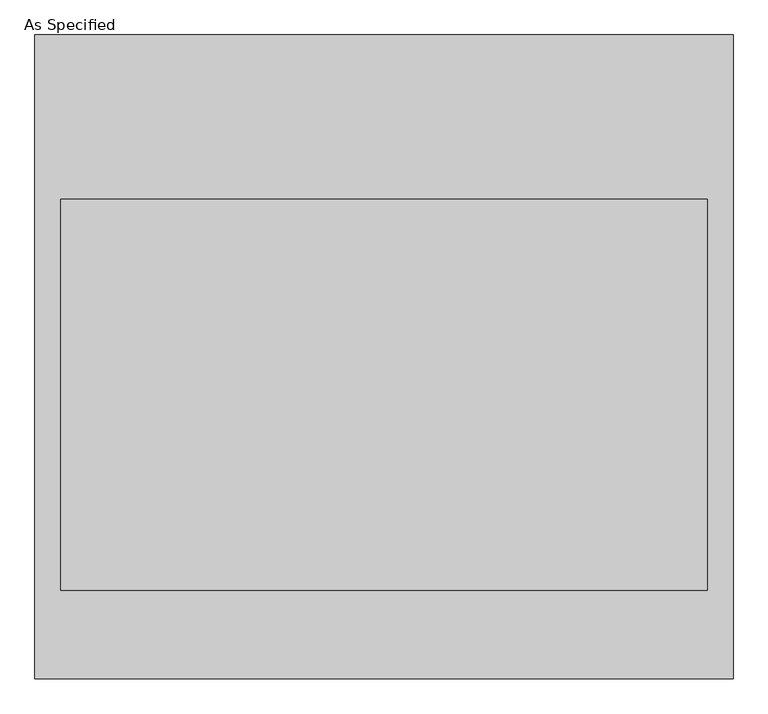
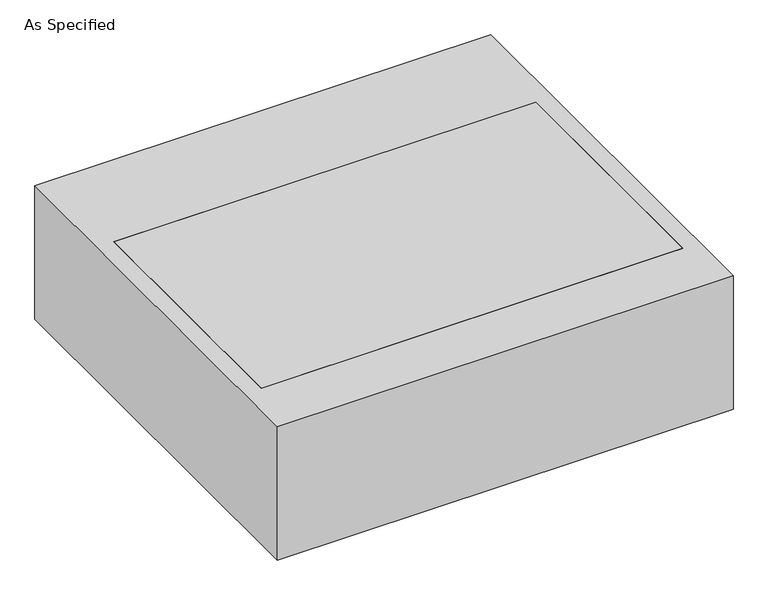
"""IFC4 building model written with IfcOpenShell, lengths in millimetres: proxy geometry, As Specified."""

from ifc_helpers import new_model, si_unit, frame, origin, place, context, project, spatial, polyline, outline, extrude, source, transform, mapped, element, save


def as_specified_3c42172e(model_context):
    return source(origin(), model_context, "Body", "SweptSolid", [
        extrude(outline(polyline([(-815.975, -752.475), (-815.975, 752.475), (815.975, 752.475), (815.975, -752.475), (-815.975, -752.475)]), holes=[polyline([(755.65, 368.3), (-755.65, 368.3), (-755.65, -546.1), (755.65, -546.1), (755.65, 368.3)])]), frame((0.0, 0.0, -530.225), z_axis=(0.0, 0.0, 1.0), x_axis=(1.0, 0.0, 0.0)), (0.0, 0.0, 1.0), 504.825),
        extrude(outline(polyline([(755.65, 368.3), (755.65, -546.1), (-755.65, -546.1), (-755.65, 368.3), (755.65, 368.3)])), frame((0.0, 0.0, -530.225), z_axis=(0.0, 0.0, 1.0), x_axis=(1.0, 0.0, 0.0)), (0.0, 0.0, 1.0), 504.825),
    ])


if __name__ == "__main__":
    model = new_model("IFC4")
    model_context = context("Model", 3, world=origin())
    ifc_project = project(units=[si_unit("LENGTHUNIT", "METRE", prefix="MILLI")], contexts=[model_context])
    site = spatial("IfcSite", under=ifc_project)
    building = spatial("IfcBuilding", under=site)
    placement = place(None, origin())
    as_specified_shape = as_specified_3c42172e(model_context)
    element("IfcBuildingElementProxy", 1, Name="As Specified", ObjectType="As Specified", at=placement, inside=building, context=model_context, shape_type="MappedRepresentation", body=[
        mapped(as_specified_shape, transform((0.0, 0.0, 0.0), x_axis=(1.0, 0.0, 0.0), y_axis=(0.0, 1.0, 0.0), z_axis=(0.0, 0.0, 1.0))),
    ])
    save(model, "model.ifc")
